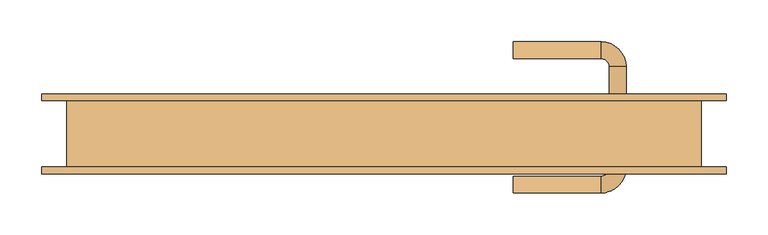
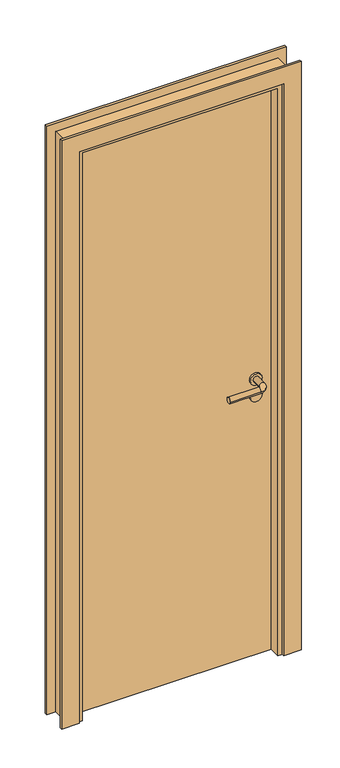
"""IFC4 building model written with IfcOpenShell, lengths in millimetres: door geometry."""

import ifcopenshell
import ifcopenshell.guid

model = None  # the IFC model being written
_history = None  # IfcOwnerHistory: only IFC2X3 demands one
_inside = {}  # id of a spatial element -> (the spatial element, [elements in it])
_under = {}  # id of a project, library or spatial element -> (it, [spatial elements below it])
_declared = {}  # id of a project -> (the project, [libraries it declares])
_typed = {}  # id of a type object -> (the type object, [elements of that type])
_made_of = {}  # id of a material, layer set ... -> (it, [elements and type objects made of it])


def new_model(schema):
    """Start an empty IFC model of exactly this schema.

    Asked for "IFC4X3", IfcOpenShell would pick the latest addendum, in which some entities
    have other attributes; the version numbers below select the first issue.
    IFC2X3 requires an IfcOwnerHistory on every rooted entity: one is made here for all.
    """
    global model, _history
    if schema == "IFC4X3":
        model = ifcopenshell.file(schema_version=(4, 3, 0, 0))
    else:
        model = ifcopenshell.file(schema=schema)
    _inside.clear()
    _under.clear()
    _declared.clear()
    _typed.clear()
    _made_of.clear()
    _history = None
    if model.schema == "IFC2X3":
        org = make("IfcOrganization", Name="unknown")
        user = make(
            "IfcPersonAndOrganization",
            ThePerson=make("IfcPerson", FamilyName="unknown"),
            TheOrganization=org,
        )
        app = make(
            "IfcApplication",
            ApplicationDeveloper=org,
            Version="unknown",
            ApplicationFullName="unknown",
            ApplicationIdentifier="unknown",
        )
        _history = make(
            "IfcOwnerHistory",
            OwningUser=user,
            OwningApplication=app,
            ChangeAction="ADDED",
            CreationDate=0,
        )
    return model


def make(cls, **values):
    """One entity of the class cls with the attributes given. An attribute that is None is left unset."""
    return model.create_entity(
        cls, **{name: value for name, value in values.items() if value is not None}
    )


def rooted(cls, **values):
    """An entity with a GlobalId (a new one), such as an element, a storey or a relation."""
    return make(cls, GlobalId=ifcopenshell.guid.new(), OwnerHistory=_history, **values)


def si_unit(unit_type, name, prefix=None):
    """IfcSIUnit, for example si_unit("LENGTHUNIT", "METRE", prefix="MILLI")."""
    return make("IfcSIUnit", UnitType=unit_type, Prefix=prefix, Name=name)


def assignment(units):
    """IfcUnitAssignment: the units of a project."""
    return None if units is None else make("IfcUnitAssignment", Units=units)


def point(xyz):
    """IfcCartesianPoint."""
    return None if xyz is None else make("IfcCartesianPoint", Coordinates=xyz)


def direction(xyz):
    """IfcDirection."""
    return None if xyz is None else make("IfcDirection", DirectionRatios=xyz)


def frame(location, z_axis=None, x_axis=None):
    """IfcAxis2Placement3D, a coordinate frame: its origin and axes. An axis left out is left unset."""
    return make(
        "IfcAxis2Placement3D",
        Location=point(location),
        Axis=direction(z_axis),
        RefDirection=direction(x_axis),
    )


def frame_2d(location, x_axis=None):
    """IfcAxis2Placement2D, a coordinate frame in the plane: its origin and x axis."""
    return make(
        "IfcAxis2Placement2D", Location=point(location), RefDirection=direction(x_axis)
    )


def origin():
    """The frame at (0, 0, 0) with its axes left unset."""
    return frame((0.0, 0.0, 0.0))


def origin_with_axes():
    """The frame at (0, 0, 0) with the z axis (0, 0, 1) and the x axis (1, 0, 0) written out."""
    return frame((0.0, 0.0, 0.0), z_axis=(0.0, 0.0, 1.0), x_axis=(1.0, 0.0, 0.0))


def place(relative_to, where):
    """IfcLocalPlacement: puts the frame where relative to a parent placement (None: the world)."""
    return make(
        "IfcLocalPlacement", PlacementRelTo=relative_to, RelativePlacement=where
    )


def context(
    kind, dimensions, precision=None, world=None, true_north=None, identifier=None
):
    """IfcGeometricRepresentationContext, for example the 3D "Model" context."""
    return make(
        "IfcGeometricRepresentationContext",
        ContextIdentifier=identifier,
        ContextType=kind,
        CoordinateSpaceDimension=dimensions,
        Precision=precision,
        WorldCoordinateSystem=world,
        TrueNorth=true_north,
    )


def project(units=None, contexts=None):
    """IfcProject with its units and contexts."""
    return rooted(
        "IfcProject",
        Name="project",
        RepresentationContexts=contexts,
        UnitsInContext=assignment(units),
    )


def spatial(cls, under=None, at=None, **own):
    """A site, building, storey or space (cls), placed at a placement, below another one or the project."""
    s = rooted(cls, ObjectPlacement=at, **own)
    if under is not None:
        _under.setdefault(under.id(), (under, []))[1].append(s)
    return s


def polyline(points):
    """IfcPolyline through the points."""
    return make("IfcPolyline", Points=[point(p) for p in points])


def circle_curve(where, radius):
    """IfcCircle in the frame where."""
    return make("IfcCircle", Position=where, Radius=radius)


def ellipse_curve(where, semi_axis1, semi_axis2):
    """IfcEllipse in the frame where."""
    return make(
        "IfcEllipse", Position=where, SemiAxis1=semi_axis1, SemiAxis2=semi_axis2
    )


def trimmed(basis, trim1, trim2, sense, master):
    """IfcTrimmedCurve: the piece of a basis curve between two trims."""
    return make(
        "IfcTrimmedCurve",
        BasisCurve=basis,
        Trim1=trim1,
        Trim2=trim2,
        SenseAgreement=sense,
        MasterRepresentation=master,
    )


def segment(curve, same_sense, transition):
    """IfcCompositeCurveSegment."""
    return make(
        "IfcCompositeCurveSegment",
        Transition=transition,
        SameSense=same_sense,
        ParentCurve=curve,
    )


def composite_curve(segments, self_intersect=None):
    """IfcCompositeCurve: segments joined end to end."""
    return make("IfcCompositeCurve", Segments=segments, SelfIntersect=self_intersect)


def outline(outer, holes=None, kind="AREA"):
    """IfcArbitraryClosedProfileDef: a profile drawn as a closed curve; with holes, ...WithVoids."""
    if holes is None:
        return make("IfcArbitraryClosedProfileDef", ProfileType=kind, OuterCurve=outer)
    return make(
        "IfcArbitraryProfileDefWithVoids",
        ProfileType=kind,
        OuterCurve=outer,
        InnerCurves=holes,
    )


def extrude(swept, where, along, depth):
    """IfcExtrudedAreaSolid: the profile swept, set in the frame where, extruded along a direction by depth."""
    return make(
        "IfcExtrudedAreaSolid",
        SweptArea=swept,
        Position=where,
        ExtrudedDirection=direction(along),
        Depth=depth,
    )


def faces_of(points, faces, orient=None, outer=None):
    """IfcFace entities. A face is a list of loops; a loop is a list of indices into points, from 0.

    orient and outer hold one flag for each loop. By default every Orientation is true, the
    first loop of a face is its IfcFaceOuterBound and the others are IfcFaceBound.
    """
    made = []
    for i, loops in enumerate(faces):
        bounds = []
        for j, loop in enumerate(loops):
            is_outer = j == 0 if outer is None else outer[i][j]
            bounds.append(
                make(
                    "IfcFaceOuterBound" if is_outer else "IfcFaceBound",
                    Bound=make("IfcPolyLoop", Polygon=[points[k] for k in loop]),
                    Orientation=True if orient is None else orient[i][j],
                )
            )
        made.append(make("IfcFace", Bounds=bounds))
    return made


def faceted_brep(points, faces, orient=None, outer=None, voids=None):
    """IfcFacetedBrep: a solid bounded by flat faces; with voids (closed shells), ...WithVoids."""
    shared = [point(p) for p in points]
    hull = make("IfcClosedShell", CfsFaces=faces_of(shared, faces, orient, outer))
    if voids is None:
        return make("IfcFacetedBrep", Outer=hull)
    return make(
        "IfcFacetedBrepWithVoids",
        Outer=hull,
        Voids=[
            make(cls, CfsFaces=faces_of(shared, fs, o, b)) for cls, fs, o, b in voids
        ],
    )


def shape(context_of_items, identifier, shape_type, items):
    """IfcShapeRepresentation: the items that make up one representation, for example the "Body"."""
    return make(
        "IfcShapeRepresentation",
        ContextOfItems=context_of_items,
        RepresentationIdentifier=identifier,
        RepresentationType=shape_type,
        Items=items,
    )


def source(mapping_origin, context_of_items, identifier, shape_type, items):
    """IfcRepresentationMap: a shape defined once, which mapped items show again and again."""
    return make(
        "IfcRepresentationMap",
        MappingOrigin=mapping_origin,
        MappedRepresentation=shape(context_of_items, identifier, shape_type, items),
    )


def transform(
    local_origin,
    x_axis=None,
    y_axis=None,
    z_axis=None,
    scale=None,
    scale2=None,
    scale3=None,
    uniform=True,
):
    """IfcCartesianTransformationOperator3D, or its non-uniform kind. x_axis, y_axis, z_axis: its Axis1, 2, 3."""
    if uniform:
        return make(
            "IfcCartesianTransformationOperator3D",
            Axis1=direction(x_axis),
            Axis2=direction(y_axis),
            LocalOrigin=point(local_origin),
            Scale=scale,
            Axis3=direction(z_axis),
        )
    return make(
        "IfcCartesianTransformationOperator3DnonUniform",
        Axis1=direction(x_axis),
        Axis2=direction(y_axis),
        LocalOrigin=point(local_origin),
        Scale=scale,
        Axis3=direction(z_axis),
        Scale2=scale2,
        Scale3=scale3,
    )


def mapped(mapping_source, mapping_target):
    """IfcMappedItem: shows the shape of a source again, moved by a transform."""
    return make(
        "IfcMappedItem", MappingSource=mapping_source, MappingTarget=mapping_target
    )


def made_of(thing, what):
    """Note that an element or type object is made of a material, layer set ...; save() writes the relation."""
    if what is not None:
        _made_of.setdefault(what.id(), (what, []))[1].append(thing)
    return thing


def element(
    cls,
    number,
    at=None,
    inside=None,
    cuts=None,
    type_object=None,
    material=None,
    context=None,
    identifier="Body",
    shape_type=None,
    held_by="IfcProductDefinitionShape",
    body=None,
    shapes=None,
    **own,
):
    """One element of the class cls, such as IfcWall. Its Tag is "e" and its number.

    at: its placement. inside: the storey or other place that contains it. cuts: it is an
    opening in that element (IfcRelVoidsElement). A single representation is given by context,
    identifier, shape_type and body (its items); several are given by shapes. held_by: the class
    of the entity that holds the representations. save() writes the other relations.
    """
    e = rooted(cls, Tag="e%d" % number, ObjectPlacement=at, **own)
    if body is not None:
        shapes = [shape(context, identifier, shape_type, body)]
    if shapes is not None:
        e.Representation = make(held_by, Representations=shapes)
    if inside is not None:
        _inside.setdefault(inside.id(), (inside, []))[1].append(e)
    if cuts is not None:
        rooted(
            "IfcRelVoidsElement", RelatingBuildingElement=cuts, RelatedOpeningElement=e
        )
    if type_object is not None:
        _typed.setdefault(type_object.id(), (type_object, []))[1].append(e)
    return made_of(e, material)


def aggregate(whole, parts):
    """IfcRelAggregates: a whole, such as a stair, and the parts it consists of."""
    return rooted("IfcRelAggregates", RelatingObject=whole, RelatedObjects=parts)


def save(model, path):
    """Write the relations noted so far, then the file.

    IfcRelAggregates (storeys below a building ...), IfcRelContainedInSpatialStructure (elements
    in a storey), IfcRelDefinesByType, IfcRelAssociatesMaterial and IfcRelDeclares: one each for
    every whole, place, type object, material and project.
    """
    for whole, parts in _under.values():
        aggregate(whole, parts)
    for where, things in _inside.values():
        rooted(
            "IfcRelContainedInSpatialStructure",
            RelatedElements=things,
            RelatingStructure=where,
        )
    for kind, things in _typed.values():
        rooted("IfcRelDefinesByType", RelatedObjects=things, RelatingType=kind)
    for what, things in _made_of.values():
        rooted("IfcRelAssociatesMaterial", RelatedObjects=things, RelatingMaterial=what)
    for by, libraries in _declared.values():
        rooted("IfcRelDeclares", RelatingContext=by, RelatedDefinitions=libraries)
    model.write(path)


def plane_surface(at):
    """IfcPlane: the flat surface through the origin of the frame at, square to its z axis."""
    return make("IfcPlane", Position=at)


def cylinder_surface(at, radius):
    """IfcCylindricalSurface: all points at the distance radius from the z axis of the frame at."""
    return make("IfcCylindricalSurface", Position=at, Radius=radius)


def revolved_surface(curve, axis_point, axis_direction):
    """IfcSurfaceOfRevolution: the curve turned about the line through axis_point along axis_direction."""
    return make(
        "IfcSurfaceOfRevolution",
        SweptCurve=make("IfcArbitraryOpenProfileDef", ProfileType="CURVE", Curve=curve),
        AxisPosition=make("IfcAxis1Placement", Location=point(axis_point), Axis=direction(axis_direction)),
    )


def advanced_brep(points, edges, surfaces, faces):
    """IfcAdvancedBrep: a solid bounded by faces that lie on surfaces and meet in shared edges.

    An edge is (start, end): straight between two places in points (the first is 0);
    or (start, end, curve); or (start, end, curve, False) where it runs against its curve.
    A face is (place in surfaces, loops), or (place, loops, False) where it looks against
    its surface's normal. A loop lists edges by number (the first is 1), with a minus sign
    where the edge is run from its end to its start. The first loop is the outer one.
    """
    corners = [point(p) for p in points]
    vertices = [make("IfcVertexPoint", VertexGeometry=c) for c in corners]
    made = []
    for start, end, *more in edges:
        made.append(
            make(
                "IfcEdgeCurve",
                EdgeStart=vertices[start],
                EdgeEnd=vertices[end],
                EdgeGeometry=more[0] if more else make("IfcPolyline", Points=[corners[start], corners[end]]),
                SameSense=more[1] if len(more) > 1 else True,
            )
        )
    hull = []
    for where, loops, *sense in faces:
        bounds = []
        for j, loop in enumerate(loops):
            ring = [make("IfcOrientedEdge", EdgeElement=made[abs(k) - 1], Orientation=k > 0) for k in loop]
            bounds.append(
                make(
                    "IfcFaceOuterBound" if j == 0 else "IfcFaceBound",
                    Bound=make("IfcEdgeLoop", EdgeList=ring),
                    Orientation=True,
                )
            )
        hull.append(make("IfcAdvancedFace", Bounds=bounds, FaceSurface=surfaces[where], SameSense=sense[0] if sense else True))
    return make("IfcAdvancedBrep", Outer=make("IfcClosedShell", CfsFaces=hull))


def door_fb24aa5a(model_context):
    return source(origin(), model_context, "Body", "SolidModel", [
        advanced_brep(
        [(300.0, -6.5831809, 1000.0), (260.0, -6.5831809, 1000.0), (290.0, -6.5831809, 1000.0), (270.0, -6.5831809, 1000.0), (300.0, 0.0, 1000.0), (260.0, 0.0, 1000.0), (155.0, -70.6350833, 1000.0), (155.0, -50.6350833, 1000.0), (290.0, -40.6350833, 1000.0), (270.0, -40.6350833, 1000.0), (260.0, -50.6350833, 1000.0), (260.0, -70.6350833, 1000.0)],
        [
            (0, 1, circle_curve(frame((280.0, -6.5831809, 1000.0), z_axis=(0.0, -1.0, 0.0), x_axis=(-1.0, 0.0, 0.0)), 20.0)),
            (1, 0, circle_curve(frame((280.0, -6.5831809, 1000.0), z_axis=(0.0, -1.0, 0.0), x_axis=(-1.0, 0.0, 0.0)), 20.0)),
            (2, 3, circle_curve(frame((280.0, -6.5831809, 1000.0), z_axis=(0.0, 1.0, 0.0), x_axis=(-1.0, 0.0, 0.0)), 10.0)),
            (3, 2, circle_curve(frame((280.0, -6.5831809, 1000.0), z_axis=(0.0, 1.0, 0.0), x_axis=(-1.0, 0.0, 0.0)), 10.0)),
            (4, 5, circle_curve(frame((280.0, 0.0, 1000.0), z_axis=(0.0, 1.0, 0.0), x_axis=(-1.0, 0.0, 0.0)), 20.0)),
            (5, 4, circle_curve(frame((280.0, 0.0, 1000.0), z_axis=(0.0, 1.0, 0.0), x_axis=(-1.0, 0.0, 0.0)), 20.0)),
            (1, 5),
            (4, 0),
            (6, 7, circle_curve(frame((155.0, -60.6350833, 1000.0), z_axis=(-1.0, 0.0, 0.0), x_axis=(0.0, 1.0, 0.0)), 10.0)),
            (7, 6, circle_curve(frame((155.0, -60.6350833, 1000.0), z_axis=(-1.0, 0.0, 0.0), x_axis=(0.0, 1.0, 0.0)), 10.0)),
            (8, 2),
            (3, 9),
            (9, 8, circle_curve(frame((280.0, -40.6350833, 1000.0), z_axis=(0.0, 1.0, 0.0), x_axis=(-1.0, 0.0, 0.0)), 10.0)),
            (8, 9, circle_curve(frame((280.0, -40.6350833, 1000.0), z_axis=(0.0, 1.0, 0.0), x_axis=(-1.0, 0.0, 0.0)), 10.0)),
            (9, 10, circle_curve(frame((260.0, -40.6350833, 1000.0), z_axis=(0.0, 0.0, -1.0), x_axis=(1.0, 0.0, 0.0)), 10.0)),
            (10, 11, circle_curve(frame((260.0, -60.6350833, 1000.0), z_axis=(1.0, 0.0, 0.0), x_axis=(0.0, 1.0, 0.0)), 10.0)),
            (11, 8, circle_curve(frame((260.0, -40.6350833, 1000.0), z_axis=(0.0, 0.0, 1.0), x_axis=(1.0, 0.0, 0.0)), 30.0)),
            (11, 10, circle_curve(frame((260.0, -60.6350833, 1000.0), z_axis=(1.0, 0.0, 0.0), x_axis=(0.0, 1.0, 0.0)), 10.0)),
            (6, 11),
            (10, 7),
        ],
        [
            plane_surface(frame((260.0, -6.5831809, 1000.0), z_axis=(0.0, -1.0, 0.0), x_axis=(0.0, 0.0, 1.0))),
            plane_surface(frame((260.0, 0.0, 1000.0), z_axis=(0.0, 1.0, 0.0), x_axis=(0.0, 0.0, -1.0))),
            cylinder_surface(frame((280.0, 0.0, 1000.0), z_axis=(0.0, -1.0, 0.0), x_axis=(-1.0, 0.0, 0.0)), 20.0),
            plane_surface(frame((155.0, -60.6350833, 1000.0), z_axis=(-1.0, 0.0, 0.0), x_axis=(0.0, 0.0, -1.0))),
            cylinder_surface(frame((280.0, 0.0, 1000.0), z_axis=(0.0, 1.0, 0.0), x_axis=(-1.0, 0.0, 0.0)), 10.0),
            revolved_surface(trimmed(ellipse_curve(frame((280.0, -40.6350833, 1000.0), z_axis=(0.0, -1.0, 0.0), x_axis=(-1.0, 0.0, 0.0)), 10.0, 10.0), [point((290.0, -40.6350833, 1000.0))], [point((270.0, -40.6350833, 1000.0))], True, "CARTESIAN"), (260.0, -40.6350833, 1000.0), (0.0, 0.0, 1.0)),
            revolved_surface(trimmed(ellipse_curve(frame((280.0, -40.6350833, 1000.0), z_axis=(0.0, -1.0, 0.0), x_axis=(-1.0, 0.0, 0.0)), 10.0, 10.0), [point((270.0, -40.6350833, 1000.0))], [point((290.0, -40.6350833, 1000.0))], True, "CARTESIAN"), (260.0, -40.6350833, 1000.0), (0.0, 0.0, 1.0)),
            cylinder_surface(frame((260.0, -60.6350833, 1000.0), z_axis=(1.0, 0.0, 0.0), x_axis=(0.0, 1.0, 0.0)), 10.0),
        ],
        [
            (0, [[1, 2], [3, 4]]),
            (1, [[5, 6]]),
            (2, [[7, -5, 8, -2]]),
            (2, [[-8, -6, -7, -1]]),
            (3, [[9, 10]]),
            (4, [[11, -4, 12, 13]]),
            (4, [[-12, -3, -11, 14]]),
            (5, [[15, 16, 17, -13]]),
            (6, [[-17, 18, -15, -14]]),
            (7, [[19, -16, 20, -9]]),
            (7, [[-20, -18, -19, -10]]),
        ],
    ),
        extrude(outline(composite_curve([segment(trimmed(circle_curve(frame_2d((940.0, 280.0)), 20.0), [point((940.0, 300.0))], [point((940.0, 260.0))], False, "CARTESIAN"), True, "CONTINUOUS"), segment(trimmed(circle_curve(frame_2d((940.0, 280.0)), 20.0), [point((940.0, 260.0))], [point((940.0, 300.0))], False, "CARTESIAN"), True, "CONTINUOUS")], self_intersect=False)), frame((0.0, -6.5831809, 0.0), z_axis=(0.0, 1.0, 0.0), x_axis=(0.0, 0.0, 1.0)), (0.0, 0.0, 1.0), 6.5831809),
        advanced_brep(
        [(300.0, 46.5831809, 1000.0), (260.0, 46.5831809, 1000.0), (290.0, 46.5831809, 1000.0), (270.0, 46.5831809, 1000.0), (300.0, 40.0, 1000.0), (260.0, 40.0, 1000.0), (155.0, 110.6350833, 1000.0), (155.0, 90.6350833, 1000.0), (290.0, 80.6350833, 1000.0), (270.0, 80.6350833, 1000.0), (260.0, 110.6350833, 1000.0), (260.0, 90.6350833, 1000.0)],
        [
            (0, 1, circle_curve(frame((280.0, 46.5831809, 1000.0), z_axis=(0.0, 1.0, 0.0), x_axis=(-1.0, 0.0, 0.0)), 20.0)),
            (1, 0, circle_curve(frame((280.0, 46.5831809, 1000.0), z_axis=(0.0, 1.0, 0.0), x_axis=(-1.0, 0.0, 0.0)), 20.0)),
            (2, 3, circle_curve(frame((280.0, 46.5831809, 1000.0), z_axis=(0.0, -1.0, 0.0), x_axis=(-1.0, 0.0, 0.0)), 10.0)),
            (3, 2, circle_curve(frame((280.0, 46.5831809, 1000.0), z_axis=(0.0, -1.0, 0.0), x_axis=(-1.0, 0.0, 0.0)), 10.0)),
            (4, 5, circle_curve(frame((280.0, 40.0, 1000.0), z_axis=(0.0, -1.0, 0.0), x_axis=(-1.0, 0.0, 0.0)), 20.0)),
            (5, 4, circle_curve(frame((280.0, 40.0, 1000.0), z_axis=(0.0, -1.0, 0.0), x_axis=(-1.0, 0.0, 0.0)), 20.0)),
            (0, 4),
            (5, 1),
            (6, 7, circle_curve(frame((155.0, 100.6350833, 1000.0), z_axis=(-1.0, 0.0, 0.0), x_axis=(0.0, -1.0, 0.0)), 10.0)),
            (7, 6, circle_curve(frame((155.0, 100.6350833, 1000.0), z_axis=(-1.0, 0.0, 0.0), x_axis=(0.0, -1.0, 0.0)), 10.0)),
            (8, 9, circle_curve(frame((280.0, 80.6350833, 1000.0), z_axis=(0.0, -1.0, 0.0), x_axis=(-1.0, 0.0, 0.0)), 10.0)),
            (9, 3),
            (2, 8),
            (9, 8, circle_curve(frame((280.0, 80.6350833, 1000.0), z_axis=(0.0, -1.0, 0.0), x_axis=(-1.0, 0.0, 0.0)), 10.0)),
            (8, 10, circle_curve(frame((260.0, 80.6350833, 1000.0), z_axis=(0.0, 0.0, 1.0), x_axis=(1.0, 0.0, 0.0)), 30.0)),
            (10, 11, circle_curve(frame((260.0, 100.6350833, 1000.0), z_axis=(1.0, 0.0, 0.0), x_axis=(0.0, -1.0, 0.0)), 10.0)),
            (11, 9, circle_curve(frame((260.0, 80.6350833, 1000.0), z_axis=(0.0, 0.0, -1.0), x_axis=(1.0, 0.0, 0.0)), 10.0)),
            (11, 10, circle_curve(frame((260.0, 100.6350833, 1000.0), z_axis=(1.0, 0.0, 0.0), x_axis=(0.0, -1.0, 0.0)), 10.0)),
            (7, 11),
            (10, 6),
        ],
        [
            plane_surface(frame((260.0, 46.5831809, 1000.0), z_axis=(0.0, 1.0, 0.0), x_axis=(0.0, 0.0, 1.0))),
            plane_surface(frame((260.0, 40.0, 1000.0), z_axis=(0.0, -1.0, 0.0), x_axis=(0.0, 0.0, -1.0))),
            cylinder_surface(frame((280.0, 40.0, 1000.0), z_axis=(0.0, 1.0, 0.0), x_axis=(-1.0, 0.0, 0.0)), 20.0),
            plane_surface(frame((155.0, 100.6350833, 1000.0), z_axis=(-1.0, 0.0, 0.0), x_axis=(0.0, 0.0, -1.0))),
            cylinder_surface(frame((280.0, 40.0, 1000.0), z_axis=(0.0, -1.0, 0.0), x_axis=(-1.0, 0.0, 0.0)), 10.0),
            revolved_surface(trimmed(ellipse_curve(frame((280.0, 80.6350833, 1000.0), z_axis=(0.0, -1.0, 0.0), x_axis=(-1.0, 0.0, 0.0)), 10.0, 10.0), [point((290.0, 80.6350833, 1000.0))], [point((270.0, 80.6350833, 1000.0))], True, "CARTESIAN"), (260.0, 80.6350833, 1000.0), (0.0, 0.0, 1.0)),
            revolved_surface(trimmed(ellipse_curve(frame((280.0, 80.6350833, 1000.0), z_axis=(0.0, -1.0, 0.0), x_axis=(-1.0, 0.0, 0.0)), 10.0, 10.0), [point((270.0, 80.6350833, 1000.0))], [point((290.0, 80.6350833, 1000.0))], True, "CARTESIAN"), (260.0, 80.6350833, 1000.0), (0.0, 0.0, 1.0)),
            cylinder_surface(frame((260.0, 100.6350833, 1000.0), z_axis=(1.0, 0.0, 0.0), x_axis=(0.0, -1.0, 0.0)), 10.0),
        ],
        [
            (0, [[1, 2], [3, 4]]),
            (1, [[5, 6]]),
            (2, [[-1, 7, -6, 8]]),
            (2, [[-2, -8, -5, -7]]),
            (3, [[9, 10]]),
            (4, [[11, 12, -3, 13]]),
            (4, [[14, -13, -4, -12]]),
            (5, [[-11, 15, 16, 17]]),
            (6, [[-14, -17, 18, -15]]),
            (7, [[-10, 19, -16, 20]]),
            (7, [[-9, -20, -18, -19]]),
        ],
    ),
        extrude(outline(composite_curve([segment(trimmed(circle_curve(frame_2d((940.0, 280.0)), 20.0), [point((940.0, 300.0))], [point((940.0, 260.0))], False, "CARTESIAN"), True, "CONTINUOUS"), segment(trimmed(circle_curve(frame_2d((940.0, 280.0)), 20.0), [point((940.0, 260.0))], [point((940.0, 300.0))], False, "CARTESIAN"), True, "CONTINUOUS")], self_intersect=False)), frame((0.0, 40.0, 0.0), z_axis=(0.0, 1.0, 0.0), x_axis=(0.0, 0.0, 1.0)), (0.0, 0.0, 1.0), 6.5831809),
        extrude(outline(polyline([(-350.0, 20.0), (350.0, 20.0), (350.0, 0.0), (-350.0, 0.0), (-350.0, 20.0)])), origin_with_axes(), (0.0, 0.0, 1.0), 2070.0),
        extrude(outline(polyline([(350.0, 20.0), (-350.0, 20.0), (-350.0, 40.0), (350.0, 40.0), (350.0, 20.0)])), origin_with_axes(), (0.0, 0.0, 1.0), 2070.0),
        extrude(outline(polyline([(0.0, -350.0), (2070.0, -350.0), (2070.0, 350.0), (0.0, 350.0), (0.0, 410.0), (2130.0, 410.0), (2130.0, -410.0), (0.0, -410.0), (0.0, -350.0)])), frame((0.0, 40.0, 0.0), z_axis=(0.0, 1.0, 0.0), x_axis=(0.0, 0.0, 1.0)), (0.0, 0.0, 1.0), 8.0),
        extrude(outline(polyline([(0.0, -410.0), (0.0, -350.0), (2070.0, -350.0), (2070.0, 350.0), (0.0, 350.0), (0.0, 410.0), (2130.0, 410.0), (2130.0, -410.0), (0.0, -410.0)])), frame((0.0, -48.0, 0.0), z_axis=(0.0, 1.0, 0.0), x_axis=(0.0, 0.0, 1.0)), (0.0, 0.0, 1.0), 8.0),
        faceted_brep([(-350.0, 0.0, 0.0), (-335.0, 0.0, 0.0), (-335.0, -40.0, 0.0), (-380.0, -40.0, 0.0), (-380.0, 40.0, 0.0), (-350.0, 40.0, 0.0), (-350.0, 0.0, 2070.0), (350.0, 0.0, 2070.0), (350.0, 0.0, 0.0), (335.0, 0.0, 0.0), (335.0, 0.0, 2055.0), (-335.0, 0.0, 2055.0), (-335.0, -40.0, 2055.0), (335.0, -40.0, 2055.0), (335.0, -40.0, 0.0), (380.0, -40.0, 0.0), (380.0, -40.0, 2100.0), (-380.0, -40.0, 2100.0), (-380.0, 40.0, 2100.0), (380.0, 40.0, 2100.0), (380.0, 40.0, 0.0), (350.0, 40.0, 0.0), (350.0, 40.0, 2070.0), (-350.0, 40.0, 2070.0)], [[[0, 1, 2, 3, 4, 5]], [[1, 0, 6, 7, 8, 9, 10, 11]], [[2, 1, 11, 12]], [[3, 2, 12, 13, 14, 15, 16, 17]], [[4, 3, 17, 18]], [[5, 4, 18, 19, 20, 21, 22, 23]], [[0, 5, 23, 6]], [[12, 11, 10, 13]], [[18, 17, 16, 19]], [[6, 23, 22, 7]], [[8, 21, 20, 15, 14, 9]], [[13, 10, 9, 14]], [[19, 16, 15, 20]], [[7, 22, 21, 8]]]),
    ])


if __name__ == "__main__":
    model = new_model("IFC4")
    model_context = context("Model", 3, world=origin())
    ifc_project = project(units=[si_unit("LENGTHUNIT", "METRE", prefix="MILLI")], contexts=[model_context])
    site = spatial("IfcSite", under=ifc_project)
    building = spatial("IfcBuilding", under=site)
    placement = place(None, origin())
    door_shape = door_fb24aa5a(model_context)
    element("IfcDoor", 1, at=placement, inside=building, context=model_context, shape_type="MappedRepresentation", body=[
        mapped(door_shape, transform((0.0, 0.0, 0.0), x_axis=(1.0, 0.0, 0.0), y_axis=(0.0, 1.0, 0.0), z_axis=(0.0, 0.0, 1.0))),
    ])
    save(model, "model.ifc")
